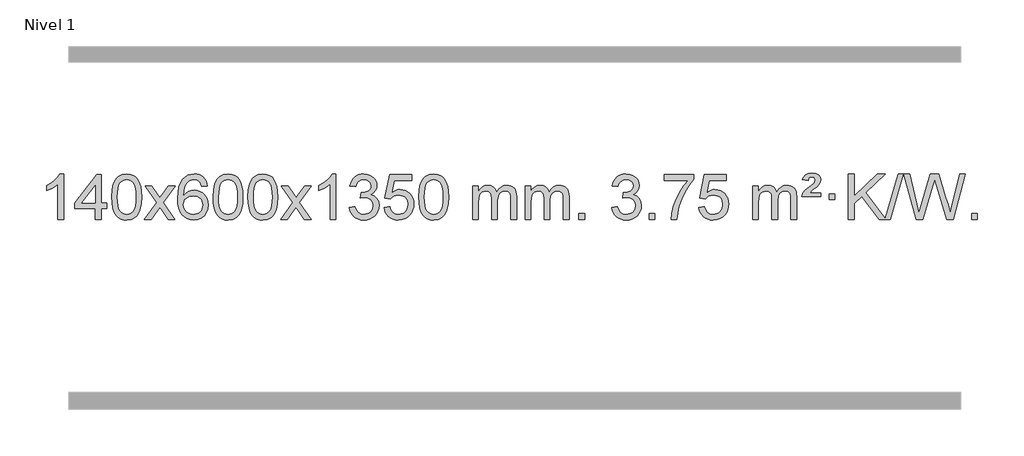
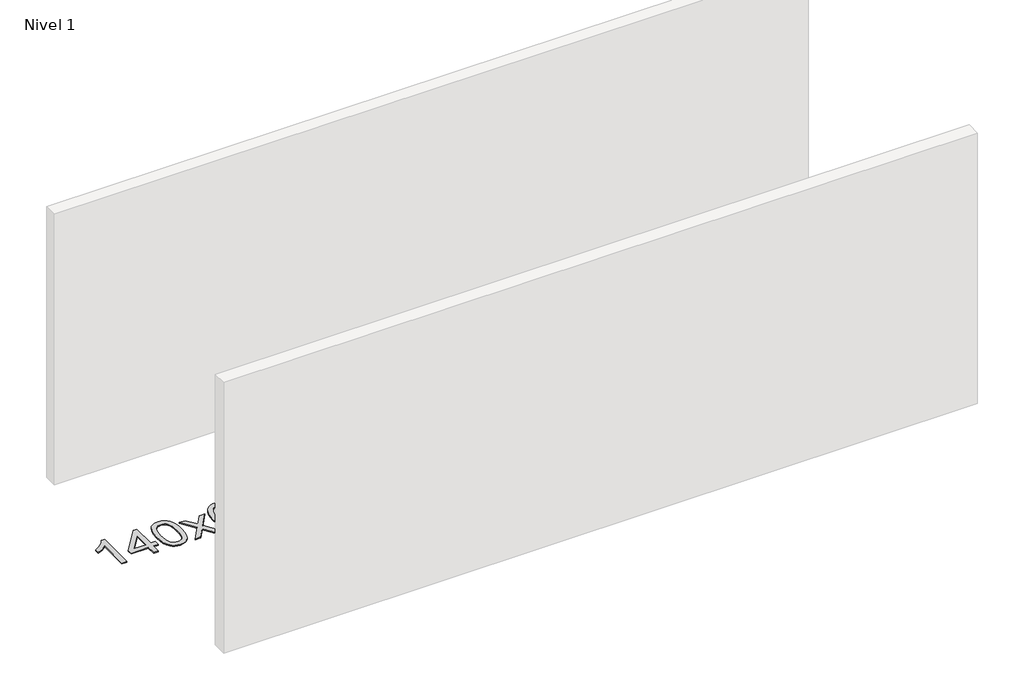
# One storey, part 10 of 25: 1 proxy.
"""IFC4 building model written with IfcOpenShell, lengths in millimetres."""

from ifc_helpers import new_model, si_unit, origin, origin_with_axes, place, context, project, spatial, polyline, outline, extrude, element, save

model = new_model("IFC4")

# Units and contexts
model_context = context("Model", 3, world=origin())
ifc_project = project(units=[si_unit("LENGTHUNIT", "METRE", prefix="MILLI")], contexts=[model_context])

# Site, building, storey
site = spatial("IfcSite", under=ifc_project)
building = spatial("IfcBuilding", under=site)
storey = spatial("IfcBuildingStorey", under=building, Name="Nivel 1", Elevation=0.0)

# Proxy
placement = place(None, origin())
element("IfcBuildingElementProxy", 1, Name="Texto de modelo 1", ObjectType="Texto de modelo 1", at=placement, inside=storey, context=model_context, shape_type="SweptSolid", body=[
    extrude(outline(polyline([(-275.4615788, -39800.579453), (-325.6897338, -39800.579453), (-325.6897338, -39487.4382987), (-346.6590076, -39504.3976587), (-373.2691385, -39521.3324932), (-426.146044, -39546.6918254), (-426.146044, -39499.2105225), (-386.6968314, -39477.7507395), (-352.520594, -39452.219729), (-325.5793692, -39425.0700378), (-307.8351943, -39398.7542124), (-275.4615788, -39398.7542124), (-275.4615788, -39800.579453)])), origin_with_axes(), (0.0, 0.0, 1.0), 10.0),
    extrude(outline(polyline([(7.0717935, -39800.579453), (7.0717935, -39706.4016622), (-175.0052686, -39706.4016622), (-175.0052686, -39656.1735072), (19.6288323, -39405.0327318), (57.2999486, -39405.0327318), (57.2999486, -39656.1735072), (107.5281037, -39656.1735072), (107.5281037, -39706.4016622), (57.2999486, -39706.4016622), (57.2999486, -39800.579453), (7.0717935, -39800.579453)]), holes=[polyline([(7.0717935, -39656.1735072), (7.0717935, -39500.9763561), (-113.2010934, -39656.1735072), (7.0717935, -39656.1735072)])]), origin_with_axes(), (0.0, 0.0, 1.0), 10.0),
    extrude(outline(polyline([(151.4777394, -39602.9041943), (155.1688221, -39538.5861588), (166.2420701, -39487.2911459), (184.5871189, -39448.2343407), (196.4451819, -39433.0009605), (210.0936039, -39420.6309284), (225.5783702, -39411.0598651), (242.9454661, -39404.2233914), (283.3266464, -39398.7542124), (314.277785, -39401.991574), (341.9915619, -39411.7036586), (365.1681276, -39427.5103217), (382.5076323, -39449.0314184), (395.6042314, -39476.0830078), (406.05208, -39508.4811488), (412.8946851, -39549.6226186), (415.1755535, -39602.9041943), (411.521259, -39666.8543477), (400.5583756, -39718.0267333), (382.3236913, -39757.1203266), (370.4932195, -39772.3996922), (356.8539945, -39784.8341036), (341.3508341, -39794.4695462), (323.928556, -39801.3520052), (283.3266464, -39806.8579724), (255.6619204, -39804.4667394), (231.1364541, -39797.2930405), (209.7502474, -39785.3368757), (191.5033004, -39768.5982449), (173.9921175, -39738.3399508), (161.4841296, -39700.6381776), (153.9793369, -39655.4929255), (151.4777394, -39602.9041943)]), holes=[polyline([(201.7058944, -39602.8060924), (203.1774224, -39646.4706195), (207.5920064, -39681.8148822), (214.9496463, -39708.8388804), (225.2503421, -39727.5426142), (237.709279, -39740.2682656), (251.5416421, -39749.3580165), (266.7474312, -39754.8118671), (283.3266464, -39756.6298173), (299.9058617, -39754.8057357), (315.1116508, -39749.3334911), (328.9440138, -39740.2130833), (341.4029507, -39727.4445124), (351.7036466, -39708.7101217), (359.0612865, -39681.6922549), (363.4758705, -39646.3909118), (364.9473984, -39602.8060924), (363.5249214, -39560.2973278), (359.2574902, -39525.5753989), (352.145105, -39498.6403055), (342.1877657, -39479.4920476), (329.9372952, -39466.1440625), (315.9455167, -39456.6097875), (300.21243, -39450.8892225), (282.7380352, -39448.9823675), (266.2446591, -39450.6623619), (251.2963874, -39455.7023452), (237.89322, -39464.1023175), (226.0351571, -39475.8622786), (215.3911047, -39496.708925), (207.7882101, -39524.8151094), (203.2264734, -39560.1808319), (201.7058944, -39602.8060924)])]), origin_with_axes(), (0.0, 0.0, 1.0), 10.0),
    extrude(outline(polyline([(440.2896311, -39800.579453), (547.6130718, -39652.1513307), (446.5681504, -39505.4890419), (506.8026958, -39505.4890419), (555.5593229, -39576.2204869), (578.4170575, -39609.4770192), (598.2336343, -39582.2047007), (653.7592901, -39505.4890419), (714.1900392, -39505.4890419), (608.0438209, -39652.2494325), (710.2659646, -39800.579453), (649.9333174, -39800.579453), (588.3253459, -39711.3067555), (577.1417333, -39694.923744), (500.7203801, -39800.579453), (440.2896311, -39800.579453)])), origin_with_axes(), (0.0, 0.0, 1.0), 10.0),
    extrude(outline(polyline([(999.0778563, -39505.4890419), (948.8497012, -39511.7675613), (940.7562973, -39486.874213), (929.8179393, -39469.8780648), (907.0337811, -39454.2062918), (879.4916824, -39448.9823675), (856.1434384, -39452.0235253), (834.1686206, -39461.1469988), (815.2962742, -39480.3627017), (799.8820186, -39506.8134171), (789.4709581, -39544.227016), (785.6081972, -39596.3313693), (805.7558678, -39572.8237098), (829.9011894, -39556.2567573), (856.6952614, -39546.434308), (884.7891831, -39543.1601582), (908.922242, -39545.398107), (931.1913654, -39552.1119534), (951.5965534, -39563.3016975), (970.137806, -39578.9673391), (985.5459302, -39598.1769106), (996.5517332, -39619.9984443), (1003.155215, -39644.4319401), (1005.3563756, -39671.4773982), (1001.2115718, -39707.4439945), (988.7771604, -39740.786366), (969.0832109, -39769.0642287), (943.159793, -39789.8372987), (912.184129, -39802.602804), (877.3334413, -39806.8579724), (847.3909126, -39804.0375437), (820.3485203, -39795.5762579), (796.2062643, -39781.4741147), (774.9641448, -39761.7311143), (757.6460999, -39735.5133908), (745.2760678, -39701.9870783), (737.8540485, -39661.1521768), (735.3800421, -39613.0086864), (738.1268943, -39559.0342663), (746.367451, -39512.9693092), (760.1017122, -39474.8138149), (779.3296778, -39444.5677835), (800.1701928, -39424.5243462), (824.3339085, -39410.2076052), (851.820825, -39401.6175606), (882.6309421, -39398.7542124), (905.7645882, -39400.5261773), (926.7032051, -39405.8420722), (945.4467927, -39414.7018969), (961.9953511, -39427.1056515), (975.9012906, -39442.6364031), (986.7170212, -39460.8772186), (994.4425431, -39481.8280983), (999.0778563, -39505.4890419)]), holes=[polyline([(785.6081972, -39670.6925832), (788.514465, -39692.9494439), (797.2332682, -39714.2007605), (810.7713257, -39732.472233), (828.1353558, -39745.7895612), (849.0923668, -39753.9197533), (873.4093667, -39756.6298173), (906.5555345, -39751.0134855), (920.4706709, -39743.9930708), (932.6138425, -39734.1644901), (942.4638829, -39721.9262824), (949.499626, -39707.6769865), (955.1282206, -39673.1451299), (949.5732024, -39639.9989621), (942.6294298, -39626.3781312), (932.9081481, -39614.725469), (920.7281883, -39605.3904634), (906.4083817, -39598.7226022), (871.3492275, -39593.3883133), (838.2521107, -39598.7226022), (810.5751219, -39614.725469), (799.6520924, -39626.2248471), (791.8499284, -39639.3858254), (787.16863, -39654.2084042), (785.6081972, -39670.6925832)])]), origin_with_axes(), (0.0, 0.0, 1.0), 10.0),
    extrude(outline(polyline([(1049.3060113, -39602.9041943), (1052.997094, -39538.5861588), (1064.0703421, -39487.2911459), (1082.4153909, -39448.2343407), (1094.2734539, -39433.0009605), (1107.9218759, -39420.6309284), (1123.4066422, -39411.0598651), (1140.7737381, -39404.2233914), (1181.1549184, -39398.7542124), (1212.1060569, -39401.991574), (1239.8198339, -39411.7036586), (1262.9963996, -39427.5103217), (1280.3359043, -39449.0314184), (1293.4325033, -39476.0830078), (1303.880352, -39508.4811488), (1310.7229571, -39549.6226186), (1313.0038255, -39602.9041943), (1309.349531, -39666.8543477), (1298.3866475, -39718.0267333), (1280.1519633, -39757.1203266), (1268.3214915, -39772.3996922), (1254.6822665, -39784.8341036), (1239.1791061, -39794.4695462), (1221.7568279, -39801.3520052), (1181.1549184, -39806.8579724), (1153.4901924, -39804.4667394), (1128.964726, -39797.2930405), (1107.5785194, -39785.3368757), (1089.3315724, -39768.5982449), (1071.8203894, -39738.3399508), (1059.3124016, -39700.6381776), (1051.8076089, -39655.4929255), (1049.3060113, -39602.9041943)]), holes=[polyline([(1099.5341664, -39602.8060924), (1101.0056944, -39646.4706195), (1105.4202783, -39681.8148822), (1112.7779182, -39708.8388804), (1123.0786141, -39727.5426142), (1135.537551, -39740.2682656), (1149.369914, -39749.3580165), (1164.5757032, -39754.8118671), (1181.1549184, -39756.6298173), (1197.7341337, -39754.8057357), (1212.9399228, -39749.3334911), (1226.7722858, -39740.2130833), (1239.2312227, -39727.4445124), (1249.5319186, -39708.7101217), (1256.8895585, -39681.6922549), (1261.3041424, -39646.3909118), (1262.7756704, -39602.8060924), (1261.3531934, -39560.2973278), (1257.0857622, -39525.5753989), (1249.973377, -39498.6403055), (1240.0160376, -39479.4920476), (1227.7655672, -39466.1440625), (1213.7737886, -39456.6097875), (1198.040702, -39450.8892225), (1180.5663072, -39448.9823675), (1164.0729311, -39450.6623619), (1149.1246594, -39455.7023452), (1135.721492, -39464.1023175), (1123.863429, -39475.8622786), (1113.2193766, -39496.708925), (1105.6164821, -39524.8151094), (1101.0547453, -39560.1808319), (1099.5341664, -39602.8060924)])]), origin_with_axes(), (0.0, 0.0, 1.0), 10.0),
    extrude(outline(polyline([(1356.9534612, -39602.9041943), (1360.6445439, -39538.5861588), (1371.7177919, -39487.2911459), (1390.0628407, -39448.2343407), (1401.9209037, -39433.0009605), (1415.5693257, -39420.6309284), (1431.054092, -39411.0598651), (1448.4211879, -39404.2233914), (1488.8023682, -39398.7542124), (1519.7535068, -39401.991574), (1547.4672837, -39411.7036586), (1570.6438494, -39427.5103217), (1587.9833541, -39449.0314184), (1601.0799532, -39476.0830078), (1611.5278018, -39508.4811488), (1618.3704069, -39549.6226186), (1620.6512753, -39602.9041943), (1616.9969808, -39666.8543477), (1606.0340974, -39718.0267333), (1587.7994131, -39757.1203266), (1575.9689413, -39772.3996922), (1562.3297163, -39784.8341036), (1546.8265559, -39794.4695462), (1529.4042778, -39801.3520052), (1488.8023682, -39806.8579724), (1461.1376422, -39804.4667394), (1436.6121759, -39797.2930405), (1415.2259692, -39785.3368757), (1396.9790222, -39768.5982449), (1379.4678393, -39738.3399508), (1366.9598514, -39700.6381776), (1359.4550587, -39655.4929255), (1356.9534612, -39602.9041943)]), holes=[polyline([(1407.1816162, -39602.8060924), (1408.6531442, -39646.4706195), (1413.0677282, -39681.8148822), (1420.4253681, -39708.8388804), (1430.7260639, -39727.5426142), (1443.1850008, -39740.2682656), (1457.0173639, -39749.3580165), (1472.223153, -39754.8118671), (1488.8023682, -39756.6298173), (1505.3815835, -39754.8057357), (1520.5873726, -39749.3334911), (1534.4197356, -39740.2130833), (1546.8786725, -39727.4445124), (1557.1793684, -39708.7101217), (1564.5370083, -39681.6922549), (1568.9515923, -39646.3909118), (1570.4231202, -39602.8060924), (1569.0006432, -39560.2973278), (1564.733212, -39525.5753989), (1557.6208268, -39498.6403055), (1547.6634875, -39479.4920476), (1535.413017, -39466.1440625), (1521.4212385, -39456.6097875), (1505.6881518, -39450.8892225), (1488.213757, -39448.9823675), (1471.7203809, -39450.6623619), (1456.7721092, -39455.7023452), (1443.3689418, -39464.1023175), (1431.5108789, -39475.8622786), (1420.8668265, -39496.708925), (1413.2639319, -39524.8151094), (1408.7021952, -39560.1808319), (1407.1816162, -39602.8060924)])]), origin_with_axes(), (0.0, 0.0, 1.0), 10.0),
    extrude(outline(polyline([(1645.7653528, -39800.579453), (1753.0887936, -39652.1513307), (1652.0438722, -39505.4890419), (1712.2784176, -39505.4890419), (1761.0350447, -39576.2204869), (1783.8927793, -39609.4770192), (1803.7093561, -39582.2047007), (1859.2350119, -39505.4890419), (1919.665761, -39505.4890419), (1813.5195426, -39652.2494325), (1915.7416864, -39800.579453), (1855.4090392, -39800.579453), (1793.8010677, -39711.3067555), (1782.6174551, -39694.923744), (1706.1961019, -39800.579453), (1645.7653528, -39800.579453)])), origin_with_axes(), (0.0, 0.0, 1.0), 10.0),
    extrude(outline(polyline([(2135.4898648, -39800.579453), (2085.2617098, -39800.579453), (2085.2617098, -39487.4382987), (2064.292436, -39504.3976587), (2037.682305, -39521.3324932), (1984.8053996, -39546.6918254), (1984.8053996, -39499.2105225), (2024.2546122, -39477.7507395), (2058.4308496, -39452.219729), (2085.3720743, -39425.0700378), (2103.1162492, -39398.7542124), (2135.4898648, -39398.7542124), (2135.4898648, -39800.579453)])), origin_with_axes(), (0.0, 0.0, 1.0), 10.0),
    extrude(outline(polyline([(2254.7817331, -39693.8446235), (2305.0098882, -39687.5661041), (2316.2548145, -39719.1303793), (2332.7236652, -39740.4430095), (2355.2257805, -39752.5831154), (2384.570501, -39756.6298173), (2419.0042558, -39751.0625364), (2433.2780772, -39744.1034354), (2445.5898613, -39734.3606939), (2462.5860095, -39709.4428201), (2468.2513922, -39679.2274455), (2462.6350604, -39650.5449126), (2445.786065, -39627.2825078), (2420.27958, -39611.8682522), (2388.6907794, -39606.730167), (2353.4722097, -39612.2238715), (2359.064016, -39561.9957164), (2367.108369, -39562.5843276), (2397.2011162, -39558.979084), (2424.1055528, -39548.1633534), (2435.1788008, -39539.9841103), (2443.0882637, -39529.8673555), (2447.8339415, -39517.8130888), (2449.415834, -39503.8213102), (2444.8295718, -39482.1285352), (2431.0707852, -39464.5315131), (2410.076986, -39452.8696539), (2383.7856861, -39448.9823675), (2357.4453352, -39452.9064421), (2335.9119758, -39464.6786659), (2320.1911519, -39484.299039), (2311.2884076, -39511.7675613), (2261.0602525, -39505.4890419), (2267.0138095, -39481.5092672), (2275.8491087, -39460.3867093), (2287.5661503, -39442.1213683), (2302.1649341, -39426.713244), (2319.1856077, -39414.4811677), (2338.1683187, -39405.7439703), (2359.113067, -39400.5016519), (2382.0198525, -39398.7542124), (2413.5963904, -39402.2000404), (2442.5977544, -39412.5375245), (2467.0496443, -39428.8469596), (2484.9777602, -39450.2086408), (2495.9774319, -39474.8199463), (2499.6439891, -39500.8782543), (2496.1613729, -39525.1584659), (2485.7135242, -39547.1823347), (2468.4475959, -39565.9443165), (2444.5107408, -39580.4388671), (2475.9523886, -39593.1430586), (2499.2515817, -39614.77452), (2513.6725559, -39644.1560286), (2518.4795473, -39680.1103623), (2516.0760516, -39705.5923218), (2508.8655645, -39729.0631931), (2496.848086, -39750.5229762), (2480.023616, -39769.971671), (2459.5264575, -39786.1094278), (2436.4909133, -39797.636397), (2410.9169832, -39804.5525785), (2382.8046674, -39806.8579724), (2357.3962843, -39804.8898037), (2334.2442441, -39798.9852977), (2313.3485468, -39789.1444543), (2294.7091923, -39775.3672736), (2279.0803389, -39758.4630959), (2267.2161446, -39739.2412617), (2259.1166093, -39717.7017708), (2254.7817331, -39693.8446235)])), origin_with_axes(), (0.0, 0.0, 1.0), 10.0),
    extrude(outline(polyline([(2562.429183, -39693.8446235), (2612.657338, -39687.5661041), (2621.8789134, -39717.7201649), (2637.9676193, -39739.3148381), (2660.8498794, -39752.3010725), (2690.4521173, -39756.6298173), (2709.581981, -39755.1245668), (2726.4555019, -39750.6088153), (2741.0726798, -39743.0825628), (2753.4335149, -39732.5458094), (2763.2620955, -39719.519721), (2770.2825102, -39704.5254641), (2775.898842, -39668.6324441), (2770.6381295, -39634.8363514), (2764.0622388, -39620.9181493), (2754.8559919, -39608.9865099), (2742.9887319, -39599.4154467), (2728.4298019, -39592.5789729), (2691.2369322, -39587.1097939), (2666.8708814, -39589.2925604), (2647.1401437, -39595.8408599), (2631.3825316, -39605.8717757), (2618.9358574, -39618.5023908), (2568.7077023, -39612.2238715), (2612.657338, -39405.0327318), (2807.291439, -39405.0327318), (2807.291439, -39455.2608869), (2653.2715103, -39455.2608869), (2631.6890999, -39565.919791), (2649.4148807, -39553.2155994), (2667.5698572, -39544.1411769), (2686.1540293, -39538.6965234), (2705.1673971, -39536.8816388), (2729.6315498, -39539.1318504), (2752.1091397, -39545.882485), (2772.6001668, -39557.1335427), (2791.1046312, -39572.8850234), (2806.4269163, -39592.1743027), (2817.3714056, -39614.038756), (2823.9380992, -39638.4783832), (2826.1269971, -39665.4931844), (2824.1588284, -39691.5147042), (2818.2543224, -39715.7213394), (2808.413479, -39738.1130902), (2794.6362983, -39758.6899565), (2773.7651265, -39779.7634634), (2749.4113384, -39794.8159684), (2721.5749341, -39803.8474714), (2690.2559136, -39806.8579724), (2664.3355613, -39804.9235262), (2640.922938, -39799.1201877), (2620.0180436, -39789.447957), (2601.6208782, -39775.9068338), (2586.3139215, -39759.1712688), (2574.6796534, -39739.915712), (2566.7180739, -39718.1401636), (2562.429183, -39693.8446235)])), origin_with_axes(), (0.0, 0.0, 1.0), 10.0),
    extrude(outline(polyline([(2870.0766328, -39602.9041943), (2873.7677155, -39538.5861588), (2884.8409635, -39487.2911459), (2903.1860124, -39448.2343407), (2915.0440753, -39433.0009605), (2928.6924974, -39420.6309284), (2944.1772637, -39411.0598651), (2961.5443595, -39404.2233914), (3001.9255399, -39398.7542124), (3032.8766784, -39401.991574), (3060.5904554, -39411.7036586), (3083.7670211, -39427.5103217), (3101.1065258, -39449.0314184), (3114.2031248, -39476.0830078), (3124.6509735, -39508.4811488), (3131.4935786, -39549.6226186), (3133.7744469, -39602.9041943), (3130.1201525, -39666.8543477), (3119.157269, -39718.0267333), (3100.9225848, -39757.1203266), (3089.0921129, -39772.3996922), (3075.452888, -39784.8341036), (3059.9497276, -39794.4695462), (3042.5274494, -39801.3520052), (3001.9255399, -39806.8579724), (2974.2608138, -39804.4667394), (2949.7353475, -39797.2930405), (2928.3491408, -39785.3368757), (2910.1021939, -39768.5982449), (2892.5910109, -39738.3399508), (2880.0830231, -39700.6381776), (2872.5782304, -39655.4929255), (2870.0766328, -39602.9041943)]), holes=[polyline([(2920.3047879, -39602.8060924), (2921.7763158, -39646.4706195), (2926.1908998, -39681.8148822), (2933.5485397, -39708.8388804), (2943.8492356, -39727.5426142), (2956.3081725, -39740.2682656), (2970.1405355, -39749.3580165), (2985.3463246, -39754.8118671), (3001.9255399, -39756.6298173), (3018.5047551, -39754.8057357), (3033.7105442, -39749.3334911), (3047.5429073, -39740.2130833), (3060.0018442, -39727.4445124), (3070.30254, -39708.7101217), (3077.6601799, -39681.6922549), (3082.0747639, -39646.3909118), (3083.5462919, -39602.8060924), (3082.1238148, -39560.2973278), (3077.8563837, -39525.5753989), (3070.7439984, -39498.6403055), (3060.7866591, -39479.4920476), (3048.5361887, -39466.1440625), (3034.5444101, -39456.6097875), (3018.8113234, -39450.8892225), (3001.3369287, -39448.9823675), (2984.8435526, -39450.6623619), (2969.8952808, -39455.7023452), (2956.4921135, -39464.1023175), (2944.6340505, -39475.8622786), (2933.9899981, -39496.708925), (2926.3871035, -39524.8151094), (2921.8253668, -39560.1808319), (2920.3047879, -39602.8060924)])]), origin_with_axes(), (0.0, 0.0, 1.0), 10.0),
    extrude(outline(polyline([(3347.244106, -39800.579453), (3347.244106, -39505.4890419), (3397.4722611, -39505.4890419), (3397.4722611, -39554.0494653), (3412.5799483, -39531.7435537), (3432.0041177, -39514.2691589), (3455.0825815, -39502.9751816), (3481.1531522, -39499.2105225), (3509.0876584, -39503.048758), (3531.4794092, -39514.5634645), (3548.2057772, -39532.9943524), (3559.1441352, -39557.5811324), (3577.4523959, -39532.0439906), (3598.3358304, -39513.803175), (3621.794439, -39502.8586857), (3647.8282215, -39499.2105225), (3667.9360383, -39500.7280358), (3685.585177, -39505.2805755), (3700.7756377, -39512.8681416), (3713.5074204, -39523.4907342), (3723.5720587, -39537.2709806), (3730.761086, -39554.3315082), (3735.0745024, -39574.6723168), (3736.5123078, -39598.2934066), (3736.5123078, -39800.579453), (3686.2841528, -39800.579453), (3686.2841528, -39619.875817), (3685.1191931, -39594.8230531), (3681.6243142, -39577.9372695), (3675.0760146, -39566.3735121), (3664.7507933, -39557.2868268), (3651.4702533, -39551.4007149), (3636.0559977, -39549.4386776), (3608.8449928, -39554.4663982), (3586.6617085, -39569.54956), (3578.0563355, -39581.1194488), (3571.9096405, -39595.7182326), (3566.9922845, -39634.0024856), (3566.9922845, -39800.579453), (3516.7641294, -39800.579453), (3516.7641294, -39614.2840106), (3513.8578616, -39585.8835206), (3505.1390583, -39565.6254854), (3489.7983791, -39553.4853796), (3467.0264836, -39549.4386776), (3447.6758907, -39552.1364789), (3429.8458767, -39560.2298828), (3415.1305968, -39573.5226856), (3405.1242066, -39591.8186835), (3399.3852475, -39617.2025411), (3397.4722611, -39651.7589232), (3397.4722611, -39800.579453), (3347.244106, -39800.579453)])), origin_with_axes(), (0.0, 0.0, 1.0), 10.0),
    extrude(outline(polyline([(3811.8545404, -39800.579453), (3811.8545404, -39505.4890419), (3862.0826955, -39505.4890419), (3862.0826955, -39554.0494653), (3877.1903828, -39531.7435537), (3896.6145521, -39514.2691589), (3919.693016, -39502.9751816), (3945.7635867, -39499.2105225), (3973.6980929, -39503.048758), (3996.0898436, -39514.5634645), (4012.8162117, -39532.9943524), (4023.7545697, -39557.5811324), (4042.0628303, -39532.0439906), (4062.9462649, -39513.803175), (4086.4048734, -39502.8586857), (4112.438656, -39499.2105225), (4132.5464727, -39500.7280358), (4150.1956114, -39505.2805755), (4165.3860721, -39512.8681416), (4178.1178548, -39523.4907342), (4188.1824931, -39537.2709806), (4195.3715204, -39554.3315082), (4199.6849368, -39574.6723168), (4201.1227423, -39598.2934066), (4201.1227423, -39800.579453), (4150.8945872, -39800.579453), (4150.8945872, -39619.875817), (4149.7296276, -39594.8230531), (4146.2347486, -39577.9372695), (4139.6864491, -39566.3735121), (4129.3612278, -39557.2868268), (4116.0806877, -39551.4007149), (4100.6664321, -39549.4386776), (4073.4554272, -39554.4663982), (4051.2721429, -39569.54956), (4042.6667699, -39581.1194488), (4036.5200749, -39595.7182326), (4031.6027189, -39634.0024856), (4031.6027189, -39800.579453), (3981.3745638, -39800.579453), (3981.3745638, -39614.2840106), (3978.4682961, -39585.8835206), (3969.7494928, -39565.6254854), (3954.4088136, -39553.4853796), (3931.6369181, -39549.4386776), (3912.2863251, -39552.1364789), (3894.4563111, -39560.2298828), (3879.7410313, -39573.5226856), (3869.734641, -39591.8186835), (3863.9956819, -39617.2025411), (3862.0826955, -39651.7589232), (3862.0826955, -39800.579453), (3811.8545404, -39800.579453)])), origin_with_axes(), (0.0, 0.0, 1.0), 10.0),
    extrude(outline(polyline([(4289.0220137, -39800.579453), (4289.0220137, -39750.3512979), (4339.2501687, -39750.3512979), (4339.2501687, -39800.579453), (4289.0220137, -39800.579453)])), origin_with_axes(), (0.0, 0.0, 1.0), 10.0),
    extrude(outline(polyline([(4577.8339053, -39693.8446235), (4628.0620604, -39687.5661041), (4639.3069867, -39719.1303793), (4655.7758374, -39740.4430095), (4678.2779528, -39752.5831154), (4707.6226732, -39756.6298173), (4742.056428, -39751.0625364), (4756.3302494, -39744.1034354), (4768.6420335, -39734.3606939), (4785.6381817, -39709.4428201), (4791.3035644, -39679.2274455), (4785.6872326, -39650.5449126), (4768.8382372, -39627.2825078), (4743.3317522, -39611.8682522), (4711.7429516, -39606.730167), (4676.5243819, -39612.2238715), (4682.1161882, -39561.9957164), (4690.1605412, -39562.5843276), (4720.2532884, -39558.979084), (4747.157725, -39548.1633534), (4758.230973, -39539.9841103), (4766.1404359, -39529.8673555), (4770.8861137, -39517.8130888), (4772.4680063, -39503.8213102), (4767.881744, -39482.1285352), (4754.1229574, -39464.5315131), (4733.1291582, -39452.8696539), (4706.8378583, -39448.9823675), (4680.4975075, -39452.9064421), (4658.964148, -39464.6786659), (4643.2433241, -39484.299039), (4634.3405798, -39511.7675613), (4584.1124247, -39505.4890419), (4590.0659817, -39481.5092672), (4598.9012809, -39460.3867093), (4610.6183225, -39442.1213683), (4625.2171063, -39426.713244), (4642.23778, -39414.4811677), (4661.2204909, -39405.7439703), (4682.1652392, -39400.5016519), (4705.0720247, -39398.7542124), (4736.6485627, -39402.2000404), (4765.6499266, -39412.5375245), (4790.1018166, -39428.8469596), (4808.0299325, -39450.2086408), (4819.0296041, -39474.8199463), (4822.6961613, -39500.8782543), (4819.2135451, -39525.1584659), (4808.7656964, -39547.1823347), (4791.4997681, -39565.9443165), (4767.562913, -39580.4388671), (4799.0045608, -39593.1430586), (4822.3037539, -39614.77452), (4836.7247281, -39644.1560286), (4841.5317195, -39680.1103623), (4839.1282238, -39705.5923218), (4831.9177367, -39729.0631931), (4819.9002582, -39750.5229762), (4803.0757883, -39769.971671), (4782.5786298, -39786.1094278), (4759.5430855, -39797.636397), (4733.9691555, -39804.5525785), (4705.8568397, -39806.8579724), (4680.4484565, -39804.8898037), (4657.2964163, -39798.9852977), (4636.400719, -39789.1444543), (4617.7613645, -39775.3672736), (4602.1325111, -39758.4630959), (4590.2683168, -39739.2412617), (4582.1687815, -39717.7017708), (4577.8339053, -39693.8446235)])), origin_with_axes(), (0.0, 0.0, 1.0), 10.0),
    extrude(outline(polyline([(4910.5954327, -39800.579453), (4910.5954327, -39750.3512979), (4960.8235878, -39750.3512979), (4960.8235878, -39800.579453), (4910.5954327, -39800.579453)])), origin_with_axes(), (0.0, 0.0, 1.0), 10.0),
    extrude(outline(polyline([(5042.4443398, -39455.2608869), (5042.4443398, -39405.0327318), (5306.1421539, -39405.0327318), (5306.1421539, -39445.646904), (5268.5568767, -39493.214046), (5231.3394816, -39553.7061088), (5198.5121449, -39621.6048623), (5174.0970431, -39691.3920768), (5162.1286155, -39743.6067947), (5155.4576887, -39800.579453), (5105.2295336, -39800.579453), (5110.6619244, -39748.8061935), (5125.1932632, -39687.2717985), (5148.4311426, -39622.0463207), (5179.983155, -39559.1998132), (5216.8204055, -39502.3865704), (5255.9139988, -39455.2608869), (5042.4443398, -39455.2608869)])), origin_with_axes(), (0.0, 0.0, 1.0), 10.0),
    extrude(outline(polyline([(5350.0917896, -39693.8446235), (5400.3199447, -39687.5661041), (5409.54152, -39717.7201649), (5425.630226, -39739.3148381), (5448.5124861, -39752.3010725), (5478.1147239, -39756.6298173), (5497.2445877, -39755.1245668), (5514.1181085, -39750.6088153), (5528.7352865, -39743.0825628), (5541.0961215, -39732.5458094), (5550.9247021, -39719.519721), (5557.9451169, -39704.5254641), (5563.5614487, -39668.6324441), (5558.3007361, -39634.8363514), (5551.7248455, -39620.9181493), (5542.5185986, -39608.9865099), (5530.6513385, -39599.4154467), (5516.0924086, -39592.5789729), (5478.8995389, -39587.1097939), (5454.533488, -39589.2925604), (5434.8027504, -39595.8408599), (5419.0451382, -39605.8717757), (5406.5984641, -39618.5023908), (5356.370309, -39612.2238715), (5400.3199447, -39405.0327318), (5594.9540456, -39405.0327318), (5594.9540456, -39455.2608869), (5440.934117, -39455.2608869), (5419.3517066, -39565.919791), (5437.0774874, -39553.2155994), (5455.2324638, -39544.1411769), (5473.816636, -39538.6965234), (5492.8300037, -39536.8816388), (5517.2941564, -39539.1318504), (5539.7717463, -39545.882485), (5560.2627735, -39557.1335427), (5578.7672378, -39572.8850234), (5594.0895229, -39592.1743027), (5605.0340123, -39614.038756), (5611.6007059, -39638.4783832), (5613.7896038, -39665.4931844), (5611.8214351, -39691.5147042), (5605.9169291, -39715.7213394), (5596.0760857, -39738.1130902), (5582.298905, -39758.6899565), (5561.4277331, -39779.7634634), (5537.073945, -39794.8159684), (5509.2375407, -39803.8474714), (5477.9185202, -39806.8579724), (5451.998168, -39804.9235262), (5428.5855447, -39799.1201877), (5407.6806503, -39789.447957), (5389.2834848, -39775.9068338), (5373.9765281, -39759.1712688), (5362.3422601, -39739.915712), (5354.3806805, -39718.1401636), (5350.0917896, -39693.8446235)])), origin_with_axes(), (0.0, 0.0, 1.0), 10.0),
    extrude(outline(polyline([(5827.2592628, -39800.579453), (5827.2592628, -39505.4890419), (5877.4874179, -39505.4890419), (5877.4874179, -39554.0494653), (5892.5951052, -39531.7435537), (5912.0192745, -39514.2691589), (5935.0977383, -39502.9751816), (5961.1683091, -39499.2105225), (5989.1028152, -39503.048758), (6011.494566, -39514.5634645), (6028.2209341, -39532.9943524), (6039.159292, -39557.5811324), (6057.4675527, -39532.0439906), (6078.3509873, -39513.803175), (6101.8095958, -39502.8586857), (6127.8433783, -39499.2105225), (6147.9511951, -39500.7280358), (6165.6003338, -39505.2805755), (6180.7907945, -39512.8681416), (6193.5225772, -39523.4907342), (6203.5872155, -39537.2709806), (6210.7762428, -39554.3315082), (6215.0896592, -39574.6723168), (6216.5274647, -39598.2934066), (6216.5274647, -39800.579453), (6166.2993096, -39800.579453), (6166.2993096, -39619.875817), (6165.1343499, -39594.8230531), (6161.639471, -39577.9372695), (6155.0911715, -39566.3735121), (6144.7659501, -39557.2868268), (6131.4854101, -39551.4007149), (6116.0711545, -39549.4386776), (6088.8601496, -39554.4663982), (6066.6768653, -39569.54956), (6058.0714923, -39581.1194488), (6051.9247973, -39595.7182326), (6047.0074413, -39634.0024856), (6047.0074413, -39800.579453), (5996.7792862, -39800.579453), (5996.7792862, -39614.2840106), (5993.8730184, -39585.8835206), (5985.1542152, -39565.6254854), (5969.813536, -39553.4853796), (5947.0416405, -39549.4386776), (5927.6910475, -39552.1364789), (5909.8610335, -39560.2298828), (5895.1457537, -39573.5226856), (5885.1393634, -39591.8186835), (5879.4004043, -39617.2025411), (5877.4874179, -39651.7589232), (5877.4874179, -39800.579453), (5827.2592628, -39800.579453)])), origin_with_axes(), (0.0, 0.0, 1.0), 10.0),
    extrude(outline(polyline([(6260.4771003, -39599.6668327), (6264.3030731, -39583.8479069), (6272.6417317, -39567.9799302), (6294.1505656, -39542.8413272), (6326.1072483, -39515.1030247), (6370.2530877, -39477.726214), (6377.3899984, -39466.1992448), (6379.7689686, -39454.3779701), (6377.8805077, -39442.2869152), (6372.215125, -39432.5012541), (6362.8463969, -39426.026531), (6349.8478997, -39423.8682899), (6337.4134883, -39425.4869707), (6328.5597949, -39430.343013), (6322.1341227, -39439.8098431), (6316.9837748, -39455.2608869), (6266.7556197, -39448.9823675), (6277.5958759, -39423.7701881), (6294.224142, -39406.2099542), (6317.9893189, -39395.9092583), (6350.2403072, -39392.475693), (6386.0229626, -39396.6082341), (6410.7691581, -39409.0058573), (6425.1901323, -39427.3386434), (6429.9971237, -39449.2766731), (6425.9013708, -39472.1834586), (6413.6141122, -39493.8149199), (6393.0862969, -39513.6314968), (6356.6169284, -39541.6886303), (6331.0123416, -39568.2742358), (6429.9971237, -39568.2742358), (6429.9971237, -39599.6668327), (6260.4771003, -39599.6668327)])), origin_with_axes(), (0.0, 0.0, 1.0), 10.0),
    extrude(outline(polyline([(6505.3393563, -39624.7809102), (6505.3393563, -39574.5527552), (6555.5675114, -39574.5527552), (6555.5675114, -39624.7809102), (6505.3393563, -39624.7809102)])), origin_with_axes(), (0.0, 0.0, 1.0), 10.0),
    extrude(outline(polyline([(6946.2091394, -39800.579453), (6792.67972, -39597.9009991), (6725.0875348, -39662.4520265), (6725.0875348, -39800.579453), (6674.8593797, -39800.579453), (6674.8593797, -39398.7542124), (6725.0875348, -39398.7542124), (6725.0875348, -39595.4484525), (6931.1014521, -39398.7542124), (7001.3423877, -39398.7542124), (6828.2906972, -39563.9577537), (7003.0417306, -39794.5373449), (7114.3557366, -39398.7542124), (7159.8750022, -39398.7542124), (7046.7635514, -39800.579453), (7007.6209071, -39800.579453), (7001.3423877, -39800.579453), (6946.2091394, -39800.579453)])), origin_with_axes(), (0.0, 0.0, 1.0), 10.0),
    extrude(outline(polyline([(7274.1636753, -39800.579453), (7164.5838917, -39398.7542124), (7216.3816766, -39398.7542124), (7279.9516854, -39662.844434), (7299.5720585, -39744.3670841), (7320.5658576, -39672.2622131), (7400.2245723, -39398.7542124), (7474.8800919, -39398.7542124), (7532.7601925, -39597.0180823), (7557.5554389, -39670.5944814), (7575.8269114, -39744.3670841), (7594.8586732, -39665.1988788), (7658.9191913, -39398.7542124), (7710.8150781, -39398.7542124), (7601.3333964, -39800.579453), (7547.5735741, -39800.579453), (7451.1394405, -39490.5775584), (7437.6994849, -39447.3146358), (7422.5917976, -39499.4067263), (7334.7906281, -39800.579453), (7274.1636753, -39800.579453)])), origin_with_axes(), (0.0, 0.0, 1.0), 10.0),
    extrude(outline(polyline([(7767.3217526, -39800.579453), (7767.3217526, -39750.3512979), (7817.5499077, -39750.3512979), (7817.5499077, -39800.579453), (7767.3217526, -39800.579453)])), origin_with_axes(), (0.0, 0.0, 1.0), 10.0),
])

save(model, "model.ifc")
